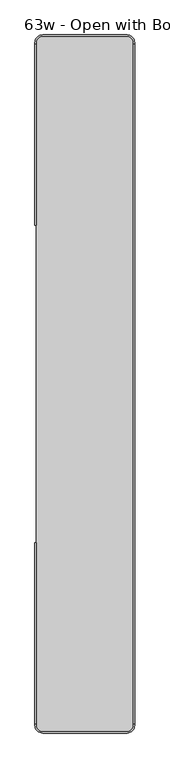
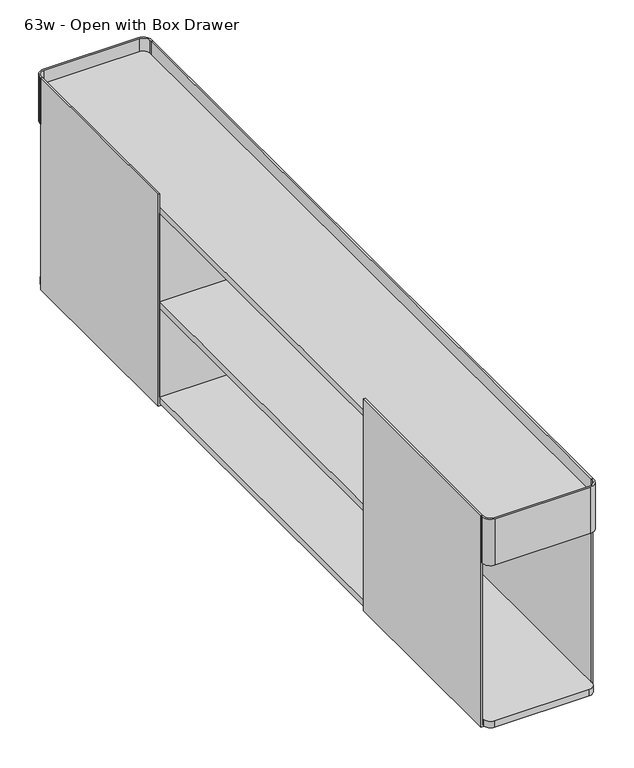
"""IFC4 building model written with IfcOpenShell, lengths in millimetres: furniture geometry, 63w - Open with Box Drawer."""

from ifc_helpers import new_model, si_unit, point, frame, frame_2d, origin, place, context, project, spatial, polyline, circle_curve, trimmed, segment, composite_curve, outline, extrude, source, transform, mapped, element, save


def furniture_63w_open_with_box_drawer_5e33cb84(model_context):
    return source(origin(), model_context, "Body", "SweptSolid", [
        extrude(outline(composite_curve([segment(trimmed(circle_curve(frame_2d((96.8375, 950.924692)), 17.4625), [point((96.8375, 968.387192))], [point((114.3, 950.924692))], False, "CARTESIAN"), True, "CONTINUOUS"), segment(polyline([(114.3, 950.924692), (114.3, 947.749692), (111.125, 947.749692), (111.125, 950.924692)]), True, "CONTINUOUS"), segment(trimmed(circle_curve(frame_2d((96.8375, 950.924692)), 14.2875), [point((111.125, 950.924692))], [point((96.8375, 965.212192))], True, "CARTESIAN"), True, "CONTINUOUS"), segment(polyline([(96.8375, 965.212192), (-96.8375, 965.212192)]), True, "CONTINUOUS"), segment(trimmed(circle_curve(frame_2d((-96.8375, 950.924692)), 14.2875), [point((-96.8375, 965.212192))], [point((-111.125, 950.924692))], True, "CARTESIAN"), True, "CONTINUOUS"), segment(polyline([(-111.125, 950.924692), (-111.125, 947.749692), (-114.3, 947.749692), (-114.3, 950.924692)]), True, "CONTINUOUS"), segment(trimmed(circle_curve(frame_2d((-96.8375, 950.924692)), 17.4625), [point((-114.3, 950.924692))], [point((-96.8375, 968.387192))], False, "CARTESIAN"), True, "CONTINUOUS"), segment(polyline([(-96.8375, 968.387192), (96.8375, 968.387192)]), True, "CONTINUOUS")], self_intersect=False)), frame((0.0, 0.0, 636.5875), z_axis=(0.0, 0.0, 1.0), x_axis=(1.0, 0.0, 0.0)), (0.0, 0.0, 1.0), 100.0125),
        extrude(outline(composite_curve([segment(polyline([(96.8375, -631.812808), (-96.8375, -631.812808)]), True, "CONTINUOUS"), segment(trimmed(circle_curve(frame_2d((-96.8375, -614.350308)), 17.4625), [point((-96.8375, -631.812808))], [point((-114.3, -614.350308))], False, "CARTESIAN"), True, "CONTINUOUS"), segment(polyline([(-114.3, -614.350308), (-114.3, -611.175308), (-111.125, -611.175308), (-111.125, -614.350308)]), True, "CONTINUOUS"), segment(trimmed(circle_curve(frame_2d((-96.8375, -614.350308)), 14.2875), [point((-111.125, -614.350308))], [point((-96.8375, -628.637808))], True, "CARTESIAN"), True, "CONTINUOUS"), segment(polyline([(-96.8375, -628.637808), (96.8375, -628.637808)]), True, "CONTINUOUS"), segment(trimmed(circle_curve(frame_2d((96.8375, -614.350308)), 14.2875), [point((96.8375, -628.637808))], [point((111.125, -614.350308))], True, "CARTESIAN"), True, "CONTINUOUS"), segment(polyline([(111.125, -614.350308), (111.125, -611.175308), (114.3, -611.175308), (114.3, -614.350308)]), True, "CONTINUOUS"), segment(trimmed(circle_curve(frame_2d((96.8375, -614.350308)), 17.4625), [point((114.3, -614.350308))], [point((96.8375, -631.812808))], False, "CARTESIAN"), True, "CONTINUOUS")], self_intersect=False)), frame((0.0, 0.0, 636.5875), z_axis=(0.0, 0.0, 1.0), x_axis=(1.0, 0.0, 0.0)), (0.0, 0.0, 1.0), 100.0125),
        extrude(outline(polyline([(533.412192, 695.2773648), (533.412192, 299.640625), (555.6370951, 299.640625), (555.6370951, 298.053125), (532.1930077, 298.053125), (532.1930077, 695.2773648), (533.412192, 695.2773648)])), frame((-111.125, 0.0, 0.0), z_axis=(1.0, 0.0, 0.0), x_axis=(0.0, 1.0, 0.0)), (0.0, 0.0, 1.0), 222.25),
        extrude(outline(polyline([(-196.837808, 695.2773648), (-195.6186237, 695.2773648), (-195.6186237, 298.053125), (-219.0627111, 298.053125), (-219.0627111, 299.640625), (-196.837808, 299.640625), (-196.837808, 695.2773648)])), frame((-111.125, 0.0, 0.0), z_axis=(1.0, 0.0, 0.0), x_axis=(0.0, 1.0, 0.0)), (0.0, 0.0, 1.0), 222.25),
        extrude(outline(polyline([(279.4, -114.3), (279.4, -88.8999992), (284.1625, -88.8999992), (284.1625, -111.125), (736.6, -111.125), (736.6, -114.3), (279.4, -114.3)])), frame((0.0, 532.1930077, 0.0), z_axis=(0.0, 1.0, 0.0), x_axis=(0.0, 0.0, 1.0)), (0.0, 0.0, 1.0), 415.5566843),
        extrude(outline(polyline([(279.4, -114.3), (279.4, -88.8999992), (284.1625, -88.8999992), (284.1625, -111.125), (736.6, -111.125), (736.6, -114.3), (279.4, -114.3)])), frame((0.0, -611.175308, 0.0), z_axis=(0.0, 1.0, 0.0), x_axis=(0.0, 0.0, 1.0)), (0.0, 0.0, 1.0), 415.5566843),
        extrude(outline(polyline([(279.4, 114.3), (736.6, 114.3), (736.6, 111.125), (284.1625, 111.125), (284.1625, 88.8999992), (279.4, 88.8999992), (279.4, 114.3)])), frame((0.0, -611.175308, 0.0), z_axis=(0.0, 1.0, 0.0), x_axis=(0.0, 0.0, 1.0)), (0.0, 0.0, 1.0), 1558.925),
        extrude(outline(polyline([(-111.125, -195.6186237), (-111.125, 532.1930077), (111.125, 532.1930077), (111.125, -195.6186237), (-111.125, -195.6186237)])), frame((0.0, 0.0, 490.0929898), z_axis=(0.0, 0.0, 1.0), x_axis=(1.0, 0.0, 0.0)), (0.0, 0.0, 1.0), 13.890625),
        extrude(outline(composite_curve([segment(polyline([(96.8375, -628.637808), (-96.8375, -628.637808)]), True, "CONTINUOUS"), segment(trimmed(circle_curve(frame_2d((-96.8375, -614.350308)), 14.2875), [point((-96.8375, -628.637808))], [point((-111.125, -614.350308))], False, "CARTESIAN"), True, "CONTINUOUS"), segment(polyline([(-111.125, -614.350308), (-111.125, 950.924692)]), True, "CONTINUOUS"), segment(trimmed(circle_curve(frame_2d((-96.8375, 950.924692)), 14.2875), [point((-111.125, 950.924692))], [point((-96.8375, 965.212192))], False, "CARTESIAN"), True, "CONTINUOUS"), segment(polyline([(-96.8375, 965.212192), (96.04375, 965.212192)]), True, "CONTINUOUS"), segment(trimmed(circle_curve(frame_2d((96.04375, 950.130942)), 15.08125), [point((96.04375, 965.212192))], [point((111.125, 950.130942))], False, "CARTESIAN"), True, "CONTINUOUS"), segment(polyline([(111.125, 950.130942), (111.125, -614.350308)]), True, "CONTINUOUS"), segment(trimmed(circle_curve(frame_2d((96.8375, -614.350308)), 14.2875), [point((111.125, -614.350308))], [point((96.8375, -628.637808))], False, "CARTESIAN"), True, "CONTINUOUS")], self_intersect=False)), frame((0.0, 0.0, 695.2773648), z_axis=(0.0, 0.0, 1.0), x_axis=(1.0, 0.0, 0.0)), (0.0, 0.0, 1.0), 13.49375),
        extrude(outline(composite_curve([segment(polyline([(96.8375, -628.637808), (-96.8375, -628.637808)]), True, "CONTINUOUS"), segment(trimmed(circle_curve(frame_2d((-96.8375, -614.350308)), 14.2875), [point((-96.8375, -628.637808))], [point((-111.125, -614.350308))], False, "CARTESIAN"), True, "CONTINUOUS"), segment(polyline([(-111.125, -614.350308), (-111.125, 950.924692)]), True, "CONTINUOUS"), segment(trimmed(circle_curve(frame_2d((-96.8375, 950.924692)), 14.2875), [point((-111.125, 950.924692))], [point((-96.8375, 965.212192))], False, "CARTESIAN"), True, "CONTINUOUS"), segment(polyline([(-96.8375, 965.212192), (96.04375, 965.212192)]), True, "CONTINUOUS"), segment(trimmed(circle_curve(frame_2d((96.04375, 950.130942)), 15.08125), [point((96.04375, 965.212192))], [point((111.125, 950.130942))], False, "CARTESIAN"), True, "CONTINUOUS"), segment(polyline([(111.125, 950.130942), (111.125, -614.350308)]), True, "CONTINUOUS"), segment(trimmed(circle_curve(frame_2d((96.8375, -614.350308)), 14.2875), [point((111.125, -614.350308))], [point((96.8375, -628.637808))], False, "CARTESIAN"), True, "CONTINUOUS")], self_intersect=False)), frame((0.0, 0.0, 284.1625), z_axis=(0.0, 0.0, 1.0), x_axis=(1.0, 0.0, 0.0)), (0.0, 0.0, 1.0), 13.890625),
    ])


if __name__ == "__main__":
    model = new_model("IFC4")
    model_context = context("Model", 3, world=origin())
    ifc_project = project(units=[si_unit("LENGTHUNIT", "METRE", prefix="MILLI")], contexts=[model_context])
    site = spatial("IfcSite", under=ifc_project)
    building = spatial("IfcBuilding", under=site)
    placement = place(None, origin())
    furniture_63w_open_with_box_drawer_shape = furniture_63w_open_with_box_drawer_5e33cb84(model_context)
    element("IfcFurniture", 1, ObjectType="63w - Open with Box Drawer", at=placement, inside=building, context=model_context, shape_type="MappedRepresentation", body=[
        mapped(furniture_63w_open_with_box_drawer_shape, transform((0.0, 0.0, 0.0), x_axis=(1.0, 0.0, 0.0), y_axis=(0.0, 1.0, 0.0), z_axis=(0.0, 0.0, 1.0))),
    ])
    save(model, "model.ifc")
